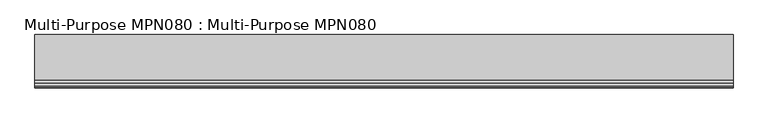
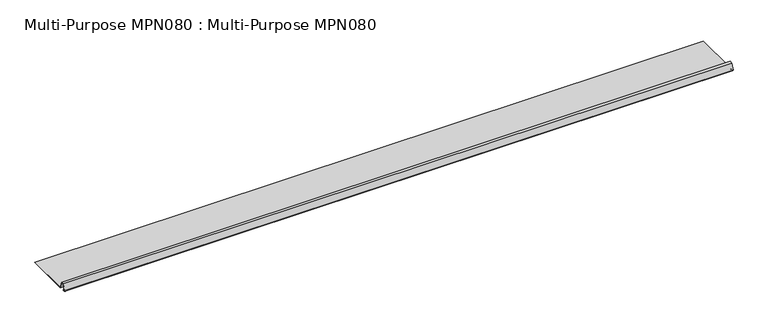
"""IFC4 building model written with IfcOpenShell, lengths in millimetres: proxy geometry, Multi-Purpose MPN080 : Multi-Purpose MPN080."""

from ifc_helpers import new_model, si_unit, point, frame, frame_2d, origin, place, context, project, spatial, polyline, circle_curve, trimmed, segment, composite_curve, outline, extrude, source, transform, mapped, element, save


def multi_purpose_mpn080_multi_purpose_mpn080_c49c89c9(model_context):
    return source(origin(), model_context, "Body", "SweptSolid", [
        extrude(outline(composite_curve([segment(polyline([(-161.2636144, 55.644707), (-161.797929, 55.0322107), (-162.6790335, 55.8008471)]), True, "CONTINUOUS"), segment(trimmed(circle_curve(frame_2d((-163.977251, 54.3126724)), 1.97485), [point((-162.6790335, 55.8008471))], [point((-165.0670061, 55.9596291))], True, "CARTESIAN"), True, "CONTINUOUS"), segment(polyline([(-165.0670061, 55.9596291), (-167.8702375, 54.1047922)]), True, "CONTINUOUS"), segment(trimmed(circle_curve(frame_2d((-169.184251, 56.0906724)), 2.38125), [point((-167.8702375, 54.1047922))], [point((-171.421894, 56.9051079))], False, "CARTESIAN"), True, "CONTINUOUS"), segment(polyline([(-171.421894, 56.9051079), (-161.3248085, 84.6466224), (-148.6248085, 84.6466224), (-137.3645885, 53.7094224), (62.114499, 53.7094224), (62.114499, 52.8966224), (-137.9337172, 52.8966224), (-149.1939372, 83.8338224), (-160.7556798, 83.8338224), (-170.6581119, 56.6271139)]), True, "CONTINUOUS"), segment(trimmed(circle_curve(frame_2d((-169.184251, 56.0906724)), 1.56845), [point((-170.6581119, 56.6271139))], [point((-168.3187541, 54.7826394))], True, "CARTESIAN"), True, "CONTINUOUS"), segment(polyline([(-168.3187541, 54.7826394), (-165.5155227, 56.6374762)]), True, "CONTINUOUS"), segment(trimmed(circle_curve(frame_2d((-163.977251, 54.3126724)), 2.78765), [point((-165.5155227, 56.6374762))], [point((-162.1447189, 56.4133434))], False, "CARTESIAN"), True, "CONTINUOUS"), segment(polyline([(-162.1447189, 56.4133434), (-161.2636144, 55.644707)]), True, "CONTINUOUS")], self_intersect=False)), frame((-1102.2989423, 0.0, 0.0), z_axis=(1.0, 0.0, 0.0), x_axis=(0.0, 1.0, 0.0)), (0.0, 0.0, 1.0), 3048.0),
    ])


if __name__ == "__main__":
    model = new_model("IFC4")
    model_context = context("Model", 3, world=origin())
    ifc_project = project(units=[si_unit("LENGTHUNIT", "METRE", prefix="MILLI")], contexts=[model_context])
    site = spatial("IfcSite", under=ifc_project)
    building = spatial("IfcBuilding", under=site)
    placement = place(None, origin())
    multi_purpose_mpn080_multi_purpose_mpn080_shape = multi_purpose_mpn080_multi_purpose_mpn080_c49c89c9(model_context)
    element("IfcBuildingElementProxy", 1, Name="Multi-Purpose MPN080 : Multi-Purpose MPN080", ObjectType="Multi-Purpose MPN080 : Multi-Purpose MPN080", at=placement, inside=building, context=model_context, shape_type="MappedRepresentation", body=[
        mapped(multi_purpose_mpn080_multi_purpose_mpn080_shape, transform((0.0, 0.0, 0.0), x_axis=(1.0, 0.0, 0.0), y_axis=(0.0, 1.0, 0.0), z_axis=(0.0, 0.0, 1.0))),
    ])
    save(model, "model.ifc")
